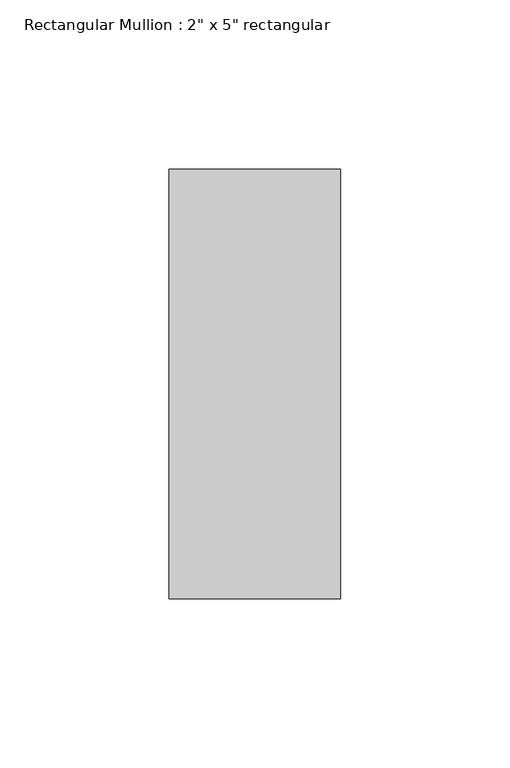
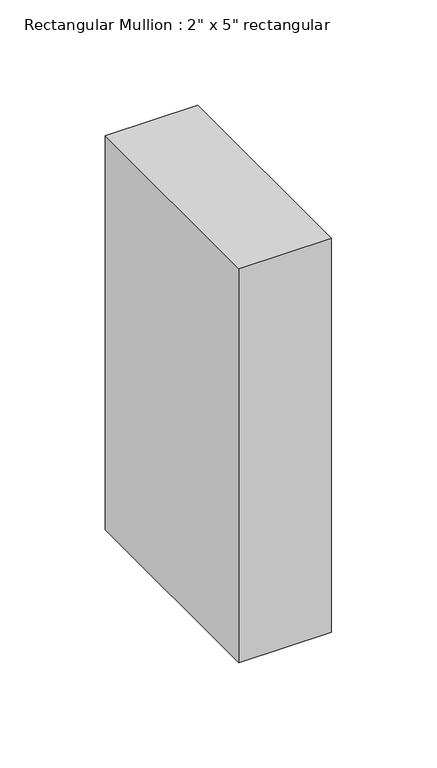
"""IFC4 building model written with IfcOpenShell, lengths in millimetres: member geometry."""

from ifc_helpers import new_model, si_unit, frame, origin, place, context, project, spatial, polyline, outline, extrude, source, transform, mapped, element, save


def member_f36041a9(model_context):
    return source(origin(), model_context, "Body", "SweptSolid", [
        extrude(outline(polyline([(0.0, 63.5), (0.0, -63.5), (-50.8, -63.5), (-50.8, 63.5), (0.0, 63.5)])), frame((0.0, 0.0, -228.6), z_axis=(0.0, 0.0, 1.0), x_axis=(1.0, 0.0, 0.0)), (0.0, 0.0, 1.0), 228.6),
    ])


if __name__ == "__main__":
    model = new_model("IFC4")
    model_context = context("Model", 3, world=origin())
    ifc_project = project(units=[si_unit("LENGTHUNIT", "METRE", prefix="MILLI")], contexts=[model_context])
    site = spatial("IfcSite", under=ifc_project)
    building = spatial("IfcBuilding", under=site)
    placement = place(None, origin())
    member_shape = member_f36041a9(model_context)
    element("IfcMember", 1, ObjectType="Rectangular Mullion : 2\" x 5\" rectangular", at=placement, inside=building, context=model_context, shape_type="MappedRepresentation", body=[
        mapped(member_shape, transform((0.0, 0.0, 0.0), x_axis=(1.0, 0.0, 0.0), y_axis=(0.0, 1.0, 0.0), z_axis=(0.0, 0.0, 1.0))),
    ])
    save(model, "model.ifc")
